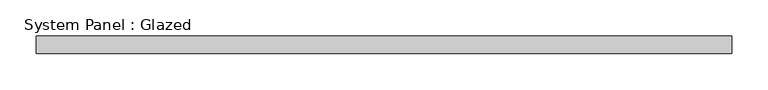
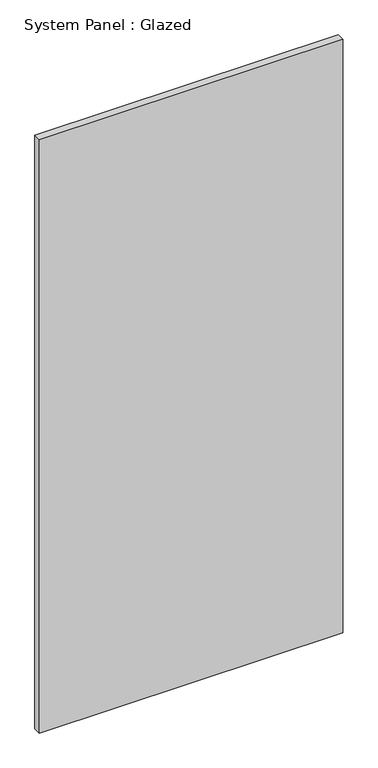
"""IFC4 building model written with IfcOpenShell, lengths in millimetres: plate geometry, System Panel : Glazed."""

from ifc_helpers import new_model, si_unit, origin, origin_with_axes, place, context, project, spatial, polyline, outline, extrude, source, transform, mapped, element, save


def system_panel_glazed_4c14f21d(model_context):
    return source(origin(), model_context, "Body", "SweptSolid", [
        extrude(outline(polyline([(483.3333333, 24.5), (-483.3333333, 24.5), (-483.3333333, 49.5), (483.3333333, 49.5), (483.3333333, 24.5)])), origin_with_axes(), (0.0, 0.0, 1.0), 2000.0),
    ])


if __name__ == "__main__":
    model = new_model("IFC4")
    model_context = context("Model", 3, world=origin())
    ifc_project = project(units=[si_unit("LENGTHUNIT", "METRE", prefix="MILLI")], contexts=[model_context])
    site = spatial("IfcSite", under=ifc_project)
    building = spatial("IfcBuilding", under=site)
    placement = place(None, origin())
    system_panel_glazed_shape = system_panel_glazed_4c14f21d(model_context)
    element("IfcPlate", 1, ObjectType="System Panel : Glazed", at=placement, inside=building, context=model_context, shape_type="MappedRepresentation", body=[
        mapped(system_panel_glazed_shape, transform((0.0, 0.0, 0.0), x_axis=(1.0, 0.0, 0.0), y_axis=(0.0, 1.0, 0.0), z_axis=(0.0, 0.0, 1.0))),
    ])
    save(model, "model.ifc")
